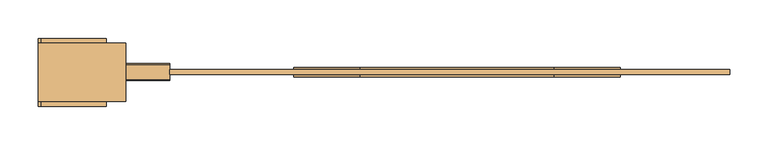
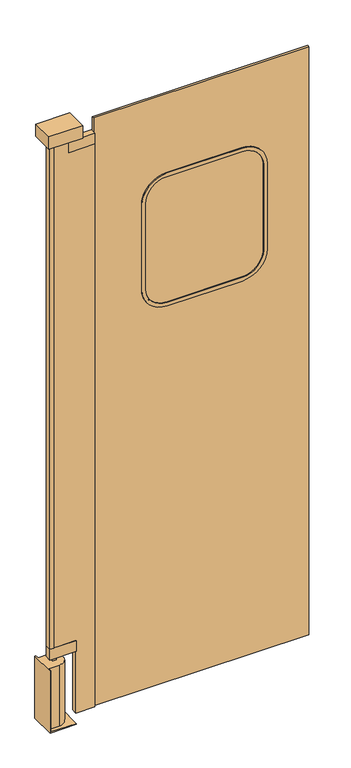
"""IFC4 building model written with IfcOpenShell, lengths in millimetres: door geometry."""

from ifc_helpers import new_model, si_unit, point, frame, frame_2d, origin, place, context, project, spatial, polyline, circle_curve, trimmed, segment, composite_curve, outline, extrude, source, transform, mapped, element, save
from ifc_brep_helpers import plane_surface, cylinder_surface, advanced_brep


def door_133d2f50(model_context):
    return source(origin(), model_context, "Body", "SolidModel", [
        extrude(outline(composite_curve([segment(polyline([(1825.625, 1848.7906968), (1825.625, 1594.7906968)]), True, "CONTINUOUS"), segment(trimmed(circle_curve(frame_2d((1752.6, 1594.7906968)), 73.025), [point((1825.625, 1594.7906968))], [point((1752.6, 1521.7656968))], False, "CARTESIAN"), True, "CONTINUOUS"), segment(polyline([(1752.6, 1521.7656968), (1447.8, 1521.7656968)]), True, "CONTINUOUS"), segment(trimmed(circle_curve(frame_2d((1447.8, 1594.7906968)), 73.025), [point((1447.8, 1521.7656968))], [point((1374.775, 1594.7906968))], False, "CARTESIAN"), True, "CONTINUOUS"), segment(polyline([(1374.775, 1594.7906968), (1374.775, 1848.7906968)]), True, "CONTINUOUS"), segment(trimmed(circle_curve(frame_2d((1447.8, 1848.7906968)), 73.025), [point((1374.775, 1848.7906968))], [point((1447.8, 1921.8156968))], False, "CARTESIAN"), True, "CONTINUOUS"), segment(polyline([(1447.8, 1921.8156968), (1752.6, 1921.8156968)]), True, "CONTINUOUS"), segment(trimmed(circle_curve(frame_2d((1752.6, 1848.7906968)), 73.025), [point((1752.6, 1921.8156968))], [point((1825.625, 1848.7906968))], False, "CARTESIAN"), True, "CONTINUOUS")], self_intersect=False)), frame((0.0, -865.8160438, 0.0), z_axis=(0.0, 1.0, 0.0), x_axis=(0.0, 0.0, 1.0)), (0.0, 0.0, 1.0), 6.35),
        extrude(outline(polyline([(1277.2906968, -865.8160438), (1264.5906968, -865.8160438), (1264.5906968, -859.4660438), (1277.2906968, -859.4660438), (1277.2906968, -865.8160438)])), frame((0.0, 0.0, 2070.1), z_axis=(0.0, 0.0, 1.0), x_axis=(1.0, 0.0, 0.0)), (0.0, 0.0, 1.0), 19.05),
        extrude(outline(polyline([(1220.1406968, -865.8160438), (1207.4406968, -865.8160438), (1207.4406968, -859.4660438), (1220.1406968, -859.4660438), (1220.1406968, -865.8160438)])), frame((0.0, 0.0, 222.25), z_axis=(0.0, 0.0, 1.0), x_axis=(1.0, 0.0, 0.0)), (0.0, 0.0, 1.0), 12.7),
        extrude(outline(composite_curve([segment(polyline([(1838.325, 1848.7906968), (1838.325, 1594.7906968)]), True, "CONTINUOUS"), segment(trimmed(circle_curve(frame_2d((1752.6, 1594.7906968)), 85.725), [point((1838.325, 1594.7906968))], [point((1752.6, 1509.0656968))], False, "CARTESIAN"), True, "CONTINUOUS"), segment(polyline([(1752.6, 1509.0656968), (1447.8, 1509.0656968)]), True, "CONTINUOUS"), segment(trimmed(circle_curve(frame_2d((1447.8, 1594.7906968)), 85.725), [point((1447.8, 1509.0656968))], [point((1362.075, 1594.7906968))], False, "CARTESIAN"), True, "CONTINUOUS"), segment(polyline([(1362.075, 1594.7906968), (1362.075, 1848.7906968)]), True, "CONTINUOUS"), segment(trimmed(circle_curve(frame_2d((1447.8, 1848.7906968)), 85.725), [point((1362.075, 1848.7906968))], [point((1447.8, 1934.5156968))], False, "CARTESIAN"), True, "CONTINUOUS"), segment(polyline([(1447.8, 1934.5156968), (1752.6, 1934.5156968)]), True, "CONTINUOUS"), segment(trimmed(circle_curve(frame_2d((1752.6, 1848.7906968)), 85.725), [point((1752.6, 1934.5156968))], [point((1838.325, 1848.7906968))], False, "CARTESIAN"), True, "CONTINUOUS")], self_intersect=False), holes=[composite_curve([segment(polyline([(1447.8, 1521.7656968), (1752.6, 1521.7656968)]), True, "CONTINUOUS"), segment(trimmed(circle_curve(frame_2d((1752.6, 1594.7906968)), 73.025), [point((1752.6, 1521.7656968))], [point((1825.625, 1594.7906968))], True, "CARTESIAN"), True, "CONTINUOUS"), segment(polyline([(1825.625, 1594.7906968), (1825.625, 1848.7906968)]), True, "CONTINUOUS"), segment(trimmed(circle_curve(frame_2d((1752.6, 1848.7906968)), 73.025), [point((1825.625, 1848.7906968))], [point((1752.6, 1921.8156968))], True, "CARTESIAN"), True, "CONTINUOUS"), segment(polyline([(1752.6, 1921.8156968), (1447.8, 1921.8156968)]), True, "CONTINUOUS"), segment(trimmed(circle_curve(frame_2d((1447.8, 1848.7906968)), 73.025), [point((1447.8, 1921.8156968))], [point((1374.775, 1848.7906968))], True, "CARTESIAN"), True, "CONTINUOUS"), segment(polyline([(1374.775, 1848.7906968), (1374.775, 1594.7906968)]), True, "CONTINUOUS"), segment(trimmed(circle_curve(frame_2d((1447.8, 1594.7906968)), 73.025), [point((1374.775, 1594.7906968))], [point((1447.8, 1521.7656968))], True, "CARTESIAN"), True, "CONTINUOUS")], self_intersect=False)]), frame((0.0, -868.9910438, 0.0), z_axis=(0.0, 1.0, 0.0), x_axis=(0.0, 0.0, 1.0)), (0.0, 0.0, 1.0), 12.7),
        extrude(outline(polyline([(2120.9, 1347.1406968), (12.7, 1347.1406968), (12.7, 2077.3906968), (2120.9, 2077.3906968), (2120.9, 1347.1406968)]), holes=[composite_curve([segment(trimmed(circle_curve(frame_2d((1752.6, 1848.7906968)), 76.2), [point((1828.8, 1848.7906968))], [point((1752.6, 1924.9906968))], True, "CARTESIAN"), True, "CONTINUOUS"), segment(polyline([(1752.6, 1924.9906968), (1447.8, 1924.9906968)]), True, "CONTINUOUS"), segment(trimmed(circle_curve(frame_2d((1447.8, 1848.7906968)), 76.2), [point((1447.8, 1924.9906968))], [point((1371.6, 1848.7906968))], True, "CARTESIAN"), True, "CONTINUOUS"), segment(polyline([(1371.6, 1848.7906968), (1371.6, 1594.7906968)]), True, "CONTINUOUS"), segment(trimmed(circle_curve(frame_2d((1447.8, 1594.7906968)), 76.2), [point((1371.6, 1594.7906968))], [point((1447.8, 1518.5906968))], True, "CARTESIAN"), True, "CONTINUOUS"), segment(polyline([(1447.8, 1518.5906968), (1752.6, 1518.5906968)]), True, "CONTINUOUS"), segment(trimmed(circle_curve(frame_2d((1752.6, 1594.7906968)), 76.2), [point((1752.6, 1518.5906968))], [point((1828.8, 1594.7906968))], True, "CARTESIAN"), True, "CONTINUOUS"), segment(polyline([(1828.8, 1594.7906968), (1828.8, 1848.7906968)]), True, "CONTINUOUS")], self_intersect=False)]), frame((0.0, -865.8160438, 0.0), z_axis=(0.0, 1.0, 0.0), x_axis=(0.0, 0.0, 1.0)), (0.0, 0.0, 1.0), 6.35),
        extrude(outline(polyline([(1207.4406968, -851.5285438), (1207.4406968, -873.7535438), (1194.7406968, -873.7535438), (1194.7406968, -851.5285438), (1207.4406968, -851.5285438)])), frame((0.0, 0.0, 273.05), z_axis=(0.0, 0.0, 1.0), x_axis=(1.0, 0.0, 0.0)), (0.0, 0.0, 1.0), 1797.05),
        extrude(outline(polyline([(2070.1, 1347.1406968), (2070.1, 1196.3281968), (273.05, 1196.3281968), (273.05, 1283.6406968), (12.7, 1283.6406968), (12.7, 1347.1406968), (2070.1, 1347.1406968)])), frame((0.0, -872.1660438, 0.0), z_axis=(0.0, 1.0, 0.0), x_axis=(0.0, 0.0, 1.0)), (0.0, 0.0, 1.0), 19.05),
        extrude(outline(polyline([(1347.1406968, -873.7535438), (1258.2406968, -873.7535438), (1258.2406968, -851.5285438), (1347.1406968, -851.5285438), (1347.1406968, -873.7535438)])), frame((0.0, 0.0, 2032.0), z_axis=(0.0, 0.0, 1.0), x_axis=(1.0, 0.0, 0.0)), (0.0, 0.0, 1.0), 38.1),
        extrude(outline(polyline([(1283.6406968, -873.7535438), (1194.7406968, -873.7535438), (1194.7406968, -851.5285438), (1283.6406968, -851.5285438), (1283.6406968, -873.7535438)])), frame((0.0, 0.0, 234.95), z_axis=(0.0, 0.0, 1.0), x_axis=(1.0, 0.0, 0.0)), (0.0, 0.0, 1.0), 38.1),
        extrude(outline(polyline([(1289.9906968, -900.7410438), (1175.6906968, -900.7410438), (1175.6906968, -824.5410438), (1289.9906968, -824.5410438), (1289.9906968, -900.7410438)])), frame((0.0, 0.0, 2089.15), z_axis=(0.0, 0.0, 1.0), x_axis=(1.0, 0.0, 0.0)), (0.0, 0.0, 1.0), 44.45),
        advanced_brep(
        [(1264.5906968, -907.0910438, 0.0), (1264.5906968, -907.0910438, 3.175), (1178.8656968, -907.0910438, 3.175), (1178.8656968, -907.0910438, 222.25), (1175.6906968, -907.0910438, 222.25), (1175.6906968, -907.0910438, 0.0), (1175.6906968, -818.1910438, 222.25), (1178.8656968, -818.1910438, 222.25), (1178.8656968, -818.1910438, 3.175), (1264.5906968, -818.1910438, 3.175), (1264.5906968, -818.1910438, 0.0), (1175.6906968, -818.1910438, 0.0), (1178.8656968, -830.8910438, 3.175), (1213.7906968, -830.8910438, 3.175), (1213.7906968, -894.3910438, 3.175), (1178.8656968, -894.3910438, 3.175), (1178.8656968, -894.3910438, 222.25), (1213.7906968, -894.3910438, 222.25), (1213.7906968, -830.8910438, 222.25), (1178.8656968, -830.8910438, 222.25)],
        [
            (0, 1),
            (1, 2),
            (2, 3),
            (3, 4),
            (4, 5),
            (5, 0),
            (6, 7),
            (7, 8),
            (8, 9),
            (9, 10),
            (10, 11),
            (11, 6),
            (0, 10),
            (9, 1),
            (8, 12),
            (12, 13),
            (13, 14, circle_curve(frame((1213.7906968, -862.6410438, 3.175), z_axis=(0.0, 0.0, -1.0), x_axis=(1.0, 0.0, 0.0)), 31.75)),
            (14, 15),
            (15, 2),
            (4, 6),
            (11, 5),
            (3, 16),
            (16, 17),
            (17, 18, circle_curve(frame((1213.7906968, -862.6410438, 222.25), z_axis=(0.0, 0.0, 1.0), x_axis=(1.0, 0.0, 0.0)), 31.75)),
            (18, 19),
            (19, 7),
            (15, 16),
            (14, 17),
            (13, 18),
            (12, 19),
        ],
        [
            plane_surface(frame((1264.5906968, -907.0910438, 0.0), z_axis=(0.0, -1.0, 0.0), x_axis=(0.0, 0.0, 1.0))),
            plane_surface(frame((1264.5906968, -818.1910438, 0.0), z_axis=(0.0, 1.0, 0.0), x_axis=(0.0, 0.0, -1.0))),
            plane_surface(frame((1264.5906968, -907.0910438, 0.0), z_axis=(1.0, 0.0, 0.0), x_axis=(0.0, 1.0, 0.0))),
            plane_surface(frame((1264.5906968, -907.0910438, 3.175), z_axis=(0.0, 0.0, 1.0), x_axis=(0.0, 1.0, 0.0))),
            plane_surface(frame((1175.6906968, -907.0910438, 3.175), z_axis=(-1.0, 0.0, 0.0), x_axis=(0.0, 1.0, 0.0))),
            plane_surface(frame((1175.6906968, -907.0910438, 0.0), z_axis=(0.0, 0.0, -1.0), x_axis=(0.0, 1.0, 0.0))),
            plane_surface(frame((1175.6906968, -818.1910438, 222.25), z_axis=(0.0, 0.0, 1.0), x_axis=(-1.0, 0.0, 0.0))),
            plane_surface(frame((1178.8656968, -907.0910438, 222.25), z_axis=(1.0, 0.0, 0.0), x_axis=(0.0, 0.0, -1.0))),
            plane_surface(frame((1178.8656968, -894.3910438, 222.25), z_axis=(0.0, -1.0, 0.0), x_axis=(0.0, 0.0, -1.0))),
            cylinder_surface(frame((1213.7906968, -862.6410438, 0.0), z_axis=(0.0, 0.0, 1.0), x_axis=(1.0, 0.0, 0.0)), 31.75),
            plane_surface(frame((1213.7906968, -830.8910438, 222.25), z_axis=(0.0, 1.0, 0.0), x_axis=(0.0, 0.0, -1.0))),
            plane_surface(frame((1178.8656968, -830.8910438, 222.25), z_axis=(1.0, 0.0, 0.0), x_axis=(0.0, 0.0, -1.0))),
        ],
        [
            (0, [[1, 2, 3, 4, 5, 6]]),
            (1, [[7, 8, 9, 10, 11, 12]]),
            (2, [[-1, 13, -10, 14]]),
            (3, [[-14, -9, 15, 16, 17, 18, 19, -2]]),
            (4, [[-5, 20, -12, 21]]),
            (5, [[-11, -13, -6, -21]]),
            (6, [[-7, -20, -4, 22, 23, 24, 25, 26]]),
            (7, [[-22, -3, -19, 27]]),
            (8, [[-23, -27, -18, 28]]),
            (9, [[-24, -28, -17, 29]]),
            (10, [[-25, -29, -16, 30]]),
            (11, [[-26, -30, -15, -8]]),
        ],
    ),
    ])


if __name__ == "__main__":
    model = new_model("IFC4")
    model_context = context("Model", 3, world=origin())
    ifc_project = project(units=[si_unit("LENGTHUNIT", "METRE", prefix="MILLI")], contexts=[model_context])
    site = spatial("IfcSite", under=ifc_project)
    building = spatial("IfcBuilding", under=site)
    placement = place(None, origin())
    door_shape = door_133d2f50(model_context)
    element("IfcDoor", 1, at=placement, inside=building, context=model_context, shape_type="MappedRepresentation", body=[
        mapped(door_shape, transform((0.0, 0.0, 0.0), x_axis=(1.0, 0.0, 0.0), y_axis=(0.0, 1.0, 0.0), z_axis=(0.0, 0.0, 1.0))),
    ])
    save(model, "model.ifc")
